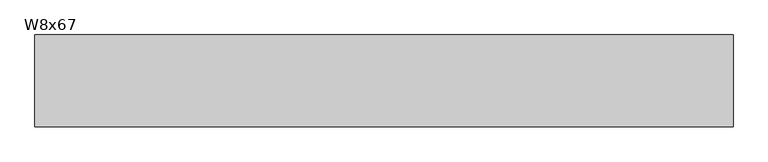
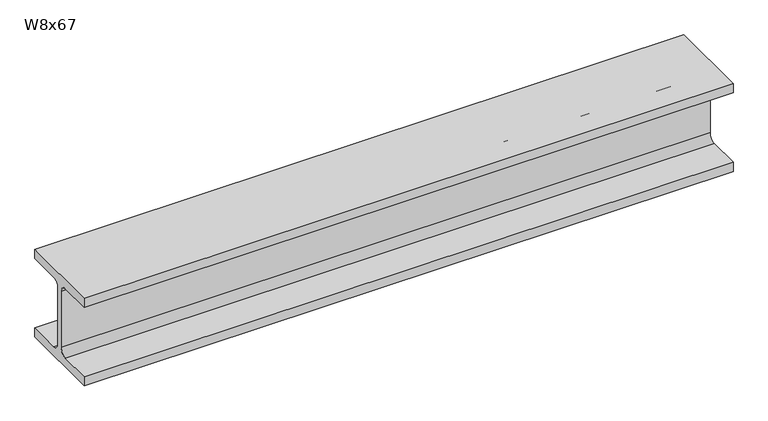
"""IFC4 building model written with IfcOpenShell, lengths in millimetres: beam geometry, W8x67."""

from ifc_helpers import new_model, si_unit, point, frame, frame_2d, origin, place, context, project, spatial, polyline, circle_curve, trimmed, segment, composite_curve, outline, extrude, source, transform, mapped, element, save


def w8x67_b12ab8b7(model_context):
    return source(origin(), model_context, "Body", "SweptSolid", [
        extrude(outline(composite_curve([segment(polyline([(-105.156, -90.551), (-24.765, -90.551)]), True, "CONTINUOUS"), segment(trimmed(circle_curve(frame_2d((-24.765, -73.025)), 17.526), [point((-24.765, -90.551))], [point((-7.239, -73.025))], True, "CARTESIAN"), True, "CONTINUOUS"), segment(polyline([(-7.239, -73.025), (-7.239, 73.025)]), True, "CONTINUOUS"), segment(trimmed(circle_curve(frame_2d((-24.765, 73.025)), 17.526), [point((-7.239, 73.025))], [point((-24.765, 90.551))], True, "CARTESIAN"), True, "CONTINUOUS"), segment(polyline([(-24.765, 90.551), (-105.156, 90.551), (-105.156, 114.3), (105.156, 114.3), (105.156, 90.551), (24.765, 90.551)]), True, "CONTINUOUS"), segment(trimmed(circle_curve(frame_2d((24.765, 73.025)), 17.526), [point((24.765, 90.551))], [point((7.239, 73.025))], True, "CARTESIAN"), True, "CONTINUOUS"), segment(polyline([(7.239, 73.025), (7.239, -73.025)]), True, "CONTINUOUS"), segment(trimmed(circle_curve(frame_2d((24.765, -73.025)), 17.526), [point((7.239, -73.025))], [point((24.765, -90.551))], True, "CARTESIAN"), True, "CONTINUOUS"), segment(polyline([(24.765, -90.551), (105.156, -90.551), (105.156, -114.3), (-105.156, -114.3), (-105.156, -90.551)]), True, "CONTINUOUS")], self_intersect=False)), frame((-800.1, 0.0, 0.0), z_axis=(1.0, 0.0, 0.0), x_axis=(0.0, 1.0, 0.0)), (0.0, 0.0, 1.0), 1600.2),
    ])


if __name__ == "__main__":
    model = new_model("IFC4")
    model_context = context("Model", 3, world=origin())
    ifc_project = project(units=[si_unit("LENGTHUNIT", "METRE", prefix="MILLI")], contexts=[model_context])
    site = spatial("IfcSite", under=ifc_project)
    building = spatial("IfcBuilding", under=site)
    placement = place(None, origin())
    w8x67_shape = w8x67_b12ab8b7(model_context)
    element("IfcBeam", 1, ObjectType="W8x67", at=placement, inside=building, context=model_context, shape_type="MappedRepresentation", body=[
        mapped(w8x67_shape, transform((0.0, 0.0, 0.0), x_axis=(1.0, 0.0, 0.0), y_axis=(0.0, 1.0, 0.0), z_axis=(0.0, 0.0, 1.0))),
    ])
    save(model, "model.ifc")
